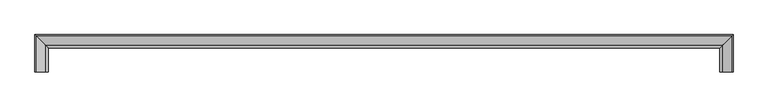
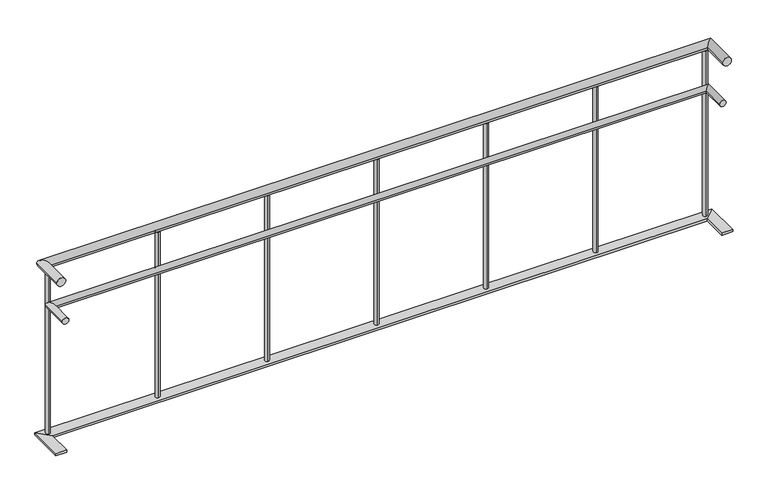
"""IFC4 building model written with IfcOpenShell, lengths in millimetres: railing geometry."""

from ifc_helpers import new_model, si_unit, point, frame, frame_2d, origin, place, context, project, spatial, circle_curve, ellipse_curve, trimmed, segment, composite_curve, outline, extrude, faceted_brep, source, transform, mapped, element, save
from ifc_brep_helpers import plane_surface, cylinder_surface, advanced_brep


def railing_5692be80(model_context):
    return source(origin(), model_context, "Body", "SolidModel", [
        advanced_brep(
        [(-739.9887159, -18506.8920513, 880.0), (-699.9887159, -18506.8920513, 880.0), (-739.9887159, -18346.8920513, 880.0), (-699.9887159, -18386.8920513, 880.0), (2340.0112841, -18346.8920513, 880.0), (2300.0112841, -18386.8920513, 880.0), (2340.0112841, -18506.8920513, 880.0), (2300.0112841, -18506.8920513, 880.0)],
        [
            (0, 1, circle_curve(frame((-719.9887159, -18506.8920513, 880.0), z_axis=(0.0, -1.0, 0.0), x_axis=(1.0, 0.0, 0.0)), 20.0)),
            (1, 0, circle_curve(frame((-719.9887159, -18506.8920513, 880.0), z_axis=(0.0, -1.0, 0.0), x_axis=(1.0, 0.0, 0.0)), 20.0)),
            (0, 2),
            (2, 3, ellipse_curve(frame((-719.9887159, -18366.8920513, 880.0), z_axis=(-0.707106781186549, -0.707106781186546, 0.0), x_axis=(0.707106781186546, -0.707106781186549, 0.0)), 28.2842712, 20.0)),
            (3, 1),
            (3, 2, ellipse_curve(frame((-719.9887159, -18366.8920513, 880.0), z_axis=(-0.707106781186549, -0.707106781186546, 0.0), x_axis=(0.707106781186546, -0.707106781186549, 0.0)), 28.2842712, 20.0)),
            (2, 4),
            (4, 5, ellipse_curve(frame((2320.0112841, -18366.8920513, 880.0), z_axis=(-0.7071067811865458, 0.7071067811865491, 0.0), x_axis=(-0.7071067811865493, -0.7071067811865457, 0.0)), 28.2842712, 20.0)),
            (5, 3),
            (5, 4, ellipse_curve(frame((2320.0112841, -18366.8920513, 880.0), z_axis=(-0.7071067811865458, 0.7071067811865491, 0.0), x_axis=(-0.7071067811865493, -0.7071067811865457, 0.0)), 28.2842712, 20.0)),
            (6, 7, circle_curve(frame((2320.0112841, -18506.8920513, 880.0), z_axis=(0.0, -1.0, 0.0), x_axis=(-1.0, 0.0, 0.0)), 20.0)),
            (7, 6, circle_curve(frame((2320.0112841, -18506.8920513, 880.0), z_axis=(0.0, -1.0, 0.0), x_axis=(-1.0, 0.0, 0.0)), 20.0)),
            (4, 6),
            (7, 5),
        ],
        [
            plane_surface(frame((-719.9887159, -18506.8920513, 900.0), z_axis=(0.0, -1.0, 0.0), x_axis=(0.0, 0.0, 1.0))),
            cylinder_surface(frame((-719.9887159, -18506.8920513, 880.0), z_axis=(0.0, -1.0, 0.0), x_axis=(1.0, 0.0, 0.0)), 20.0),
            cylinder_surface(frame((-719.9887159, -18366.8920513, 880.0), z_axis=(-1.0, 0.0, 0.0), x_axis=(0.0, -1.0, 0.0)), 20.0),
            plane_surface(frame((2320.0112841, -18506.8920513, 900.0), z_axis=(0.0, -1.0, 0.0), x_axis=(0.0, 0.0, -1.0))),
            cylinder_surface(frame((2320.0112841, -18366.8920513, 880.0), z_axis=(0.0, 1.0, 0.0), x_axis=(-1.0, 0.0, 0.0)), 20.0),
        ],
        [
            (0, [[1, 2]]),
            (1, [[-1, 3, 4, 5]]),
            (1, [[-2, -5, 6, -3]]),
            (2, [[-4, 7, 8, 9]]),
            (2, [[-6, -9, 10, -7]]),
            (3, [[11, 12]]),
            (4, [[-8, 13, -12, 14]]),
            (4, [[-10, -14, -11, -13]]),
        ],
    ),
        advanced_brep(
        [(-714.9887159, -18506.8920513, 685.0), (-684.9887159, -18506.8920513, 685.0), (-714.9887159, -18371.8920513, 685.0), (-684.9887159, -18401.8920513, 685.0), (2315.0112841, -18371.8920513, 685.0), (2285.0112841, -18401.8920513, 685.0), (2315.0112841, -18506.8920513, 685.0), (2285.0112841, -18506.8920513, 685.0)],
        [
            (0, 1, circle_curve(frame((-699.9887159, -18506.8920513, 685.0), z_axis=(0.0, -1.0, 0.0), x_axis=(1.0, 0.0, 0.0)), 15.0)),
            (1, 0, circle_curve(frame((-699.9887159, -18506.8920513, 685.0), z_axis=(0.0, -1.0, 0.0), x_axis=(1.0, 0.0, 0.0)), 15.0)),
            (0, 2),
            (2, 3, ellipse_curve(frame((-699.9887159, -18386.8920513, 685.0), z_axis=(-0.707106781186549, -0.707106781186546, 0.0), x_axis=(0.707106781186546, -0.707106781186549, 0.0)), 21.2132034, 15.0)),
            (3, 1),
            (3, 2, ellipse_curve(frame((-699.9887159, -18386.8920513, 685.0), z_axis=(-0.707106781186549, -0.707106781186546, 0.0), x_axis=(0.707106781186546, -0.707106781186549, 0.0)), 21.2132034, 15.0)),
            (2, 4),
            (4, 5, ellipse_curve(frame((2300.0112841, -18386.8920513, 685.0), z_axis=(-0.7071067811865458, 0.7071067811865491, 0.0), x_axis=(-0.7071067811865493, -0.7071067811865457, 0.0)), 21.2132034, 15.0)),
            (5, 3),
            (5, 4, ellipse_curve(frame((2300.0112841, -18386.8920513, 685.0), z_axis=(-0.7071067811865458, 0.7071067811865491, 0.0), x_axis=(-0.7071067811865493, -0.7071067811865457, 0.0)), 21.2132034, 15.0)),
            (6, 7, circle_curve(frame((2300.0112841, -18506.8920513, 685.0), z_axis=(0.0, -1.0, 0.0), x_axis=(-1.0, 0.0, 0.0)), 15.0)),
            (7, 6, circle_curve(frame((2300.0112841, -18506.8920513, 685.0), z_axis=(0.0, -1.0, 0.0), x_axis=(-1.0, 0.0, 0.0)), 15.0)),
            (4, 6),
            (7, 5),
        ],
        [
            plane_surface(frame((-699.9887159, -18506.8920513, 700.0), z_axis=(0.0, -1.0, 0.0), x_axis=(0.0, 0.0, 1.0))),
            cylinder_surface(frame((-699.9887159, -18506.8920513, 685.0), z_axis=(0.0, -1.0, 0.0), x_axis=(1.0, 0.0, 0.0)), 15.0),
            cylinder_surface(frame((-699.9887159, -18386.8920513, 685.0), z_axis=(-1.0, 0.0, 0.0), x_axis=(0.0, -1.0, 0.0)), 15.0),
            plane_surface(frame((2300.0112841, -18506.8920513, 700.0), z_axis=(0.0, -1.0, 0.0), x_axis=(0.0, 0.0, -1.0))),
            cylinder_surface(frame((2300.0112841, -18386.8920513, 685.0), z_axis=(0.0, 1.0, 0.0), x_axis=(-1.0, 0.0, 0.0)), 15.0),
        ],
        [
            (0, [[1, 2]]),
            (1, [[-1, 3, 4, 5]]),
            (1, [[-2, -5, 6, -3]]),
            (2, [[-4, 7, 8, 9]]),
            (2, [[-6, -9, 10, -7]]),
            (3, [[11, 12]]),
            (4, [[-8, 13, -12, 14]]),
            (4, [[-10, -14, -11, -13]]),
        ],
    ),
        faceted_brep([(-694.9887159, -18506.8920513, 60.0), (-744.9887159, -18506.8920513, 60.0), (-744.9887159, -18506.8920513, 50.0), (-694.9887159, -18506.8920513, 50.0), (-694.9887159, -18391.8920513, 60.0), (-744.9887159, -18341.8920513, 60.0), (-744.9887159, -18341.8920513, 50.0), (-694.9887159, -18391.8920513, 50.0), (2295.0112841, -18391.8920513, 60.0), (2345.0112841, -18341.8920513, 60.0), (2345.0112841, -18341.8920513, 50.0), (2295.0112841, -18391.8920513, 50.0), (2295.0112841, -18506.8920513, 60.0), (2295.0112841, -18506.8920513, 50.0), (2345.0112841, -18506.8920513, 50.0), (2345.0112841, -18506.8920513, 60.0)], [[[0, 1, 2, 3]], [[1, 0, 4, 5]], [[2, 1, 5, 6]], [[3, 2, 6, 7]], [[0, 3, 7, 4]], [[5, 4, 8, 9]], [[6, 5, 9, 10]], [[7, 6, 10, 11]], [[4, 7, 11, 8]], [[12, 13, 14, 15]], [[9, 8, 12, 15]], [[10, 9, 15, 14]], [[11, 10, 14, 13]], [[8, 11, 13, 12]]]),
        extrude(outline(composite_curve([segment(trimmed(circle_curve(frame_2d((2300.0112841, -18366.8920513)), 10.0), [point((2300.0112841, -18356.8920513))], [point((2300.0112841, -18376.8920513))], False, "CARTESIAN"), True, "CONTINUOUS"), segment(trimmed(circle_curve(frame_2d((2300.0112841, -18366.8920513)), 10.0), [point((2300.0112841, -18376.8920513))], [point((2300.0112841, -18356.8920513))], False, "CARTESIAN"), True, "CONTINUOUS")], self_intersect=False)), frame((0.0, 0.0, 60.0), z_axis=(0.0, 0.0, 1.0), x_axis=(1.0, 0.0, 0.0)), (0.0, 0.0, 1.0), 800.0),
        extrude(outline(composite_curve([segment(trimmed(circle_curve(frame_2d((1800.0112841, -18366.8920513)), 10.0), [point((1800.0112841, -18356.8920513))], [point((1800.0112841, -18376.8920513))], False, "CARTESIAN"), True, "CONTINUOUS"), segment(trimmed(circle_curve(frame_2d((1800.0112841, -18366.8920513)), 10.0), [point((1800.0112841, -18376.8920513))], [point((1800.0112841, -18356.8920513))], False, "CARTESIAN"), True, "CONTINUOUS")], self_intersect=False)), frame((0.0, 0.0, 60.0), z_axis=(0.0, 0.0, 1.0), x_axis=(1.0, 0.0, 0.0)), (0.0, 0.0, 1.0), 800.0),
        extrude(outline(composite_curve([segment(trimmed(circle_curve(frame_2d((1300.0112841, -18366.8920513)), 10.0), [point((1300.0112841, -18356.8920513))], [point((1300.0112841, -18376.8920513))], False, "CARTESIAN"), True, "CONTINUOUS"), segment(trimmed(circle_curve(frame_2d((1300.0112841, -18366.8920513)), 10.0), [point((1300.0112841, -18376.8920513))], [point((1300.0112841, -18356.8920513))], False, "CARTESIAN"), True, "CONTINUOUS")], self_intersect=False)), frame((0.0, 0.0, 60.0), z_axis=(0.0, 0.0, 1.0), x_axis=(1.0, 0.0, 0.0)), (0.0, 0.0, 1.0), 800.0),
        extrude(outline(composite_curve([segment(trimmed(circle_curve(frame_2d((800.0112841, -18366.8920513)), 10.0), [point((800.0112841, -18356.8920513))], [point((800.0112841, -18376.8920513))], False, "CARTESIAN"), True, "CONTINUOUS"), segment(trimmed(circle_curve(frame_2d((800.0112841, -18366.8920513)), 10.0), [point((800.0112841, -18376.8920513))], [point((800.0112841, -18356.8920513))], False, "CARTESIAN"), True, "CONTINUOUS")], self_intersect=False)), frame((0.0, 0.0, 60.0), z_axis=(0.0, 0.0, 1.0), x_axis=(1.0, 0.0, 0.0)), (0.0, 0.0, 1.0), 800.0),
        extrude(outline(composite_curve([segment(trimmed(circle_curve(frame_2d((300.0112841, -18366.8920513)), 10.0), [point((300.0112841, -18356.8920513))], [point((300.0112841, -18376.8920513))], False, "CARTESIAN"), True, "CONTINUOUS"), segment(trimmed(circle_curve(frame_2d((300.0112841, -18366.8920513)), 10.0), [point((300.0112841, -18376.8920513))], [point((300.0112841, -18356.8920513))], False, "CARTESIAN"), True, "CONTINUOUS")], self_intersect=False)), frame((0.0, 0.0, 60.0), z_axis=(0.0, 0.0, 1.0), x_axis=(1.0, 0.0, 0.0)), (0.0, 0.0, 1.0), 800.0),
        extrude(outline(composite_curve([segment(trimmed(circle_curve(frame_2d((-199.9887159, -18366.8920513)), 10.0), [point((-199.9887159, -18356.8920513))], [point((-199.9887159, -18376.8920513))], False, "CARTESIAN"), True, "CONTINUOUS"), segment(trimmed(circle_curve(frame_2d((-199.9887159, -18366.8920513)), 10.0), [point((-199.9887159, -18376.8920513))], [point((-199.9887159, -18356.8920513))], False, "CARTESIAN"), True, "CONTINUOUS")], self_intersect=False)), frame((0.0, 0.0, 60.0), z_axis=(0.0, 0.0, 1.0), x_axis=(1.0, 0.0, 0.0)), (0.0, 0.0, 1.0), 800.0),
        extrude(outline(composite_curve([segment(trimmed(circle_curve(frame_2d((-699.9887159, -18366.8920513)), 10.0), [point((-699.9887159, -18356.8920513))], [point((-699.9887159, -18376.8920513))], False, "CARTESIAN"), True, "CONTINUOUS"), segment(trimmed(circle_curve(frame_2d((-699.9887159, -18366.8920513)), 10.0), [point((-699.9887159, -18376.8920513))], [point((-699.9887159, -18356.8920513))], False, "CARTESIAN"), True, "CONTINUOUS")], self_intersect=False)), frame((0.0, 0.0, 60.0), z_axis=(0.0, 0.0, 1.0), x_axis=(1.0, 0.0, 0.0)), (0.0, 0.0, 1.0), 800.0),
    ])


if __name__ == "__main__":
    model = new_model("IFC4")
    model_context = context("Model", 3, world=origin())
    ifc_project = project(units=[si_unit("LENGTHUNIT", "METRE", prefix="MILLI")], contexts=[model_context])
    site = spatial("IfcSite", under=ifc_project)
    building = spatial("IfcBuilding", under=site)
    placement = place(None, origin())
    railing_shape = railing_5692be80(model_context)
    element("IfcRailing", 1, at=placement, inside=building, context=model_context, shape_type="MappedRepresentation", body=[
        mapped(railing_shape, transform((0.0, 0.0, 0.0), x_axis=(1.0, 0.0, 0.0), y_axis=(0.0, 1.0, 0.0), z_axis=(0.0, 0.0, 1.0))),
    ])
    save(model, "model.ifc")
